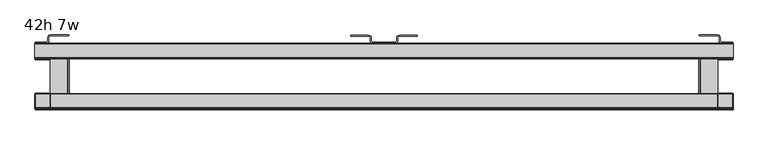
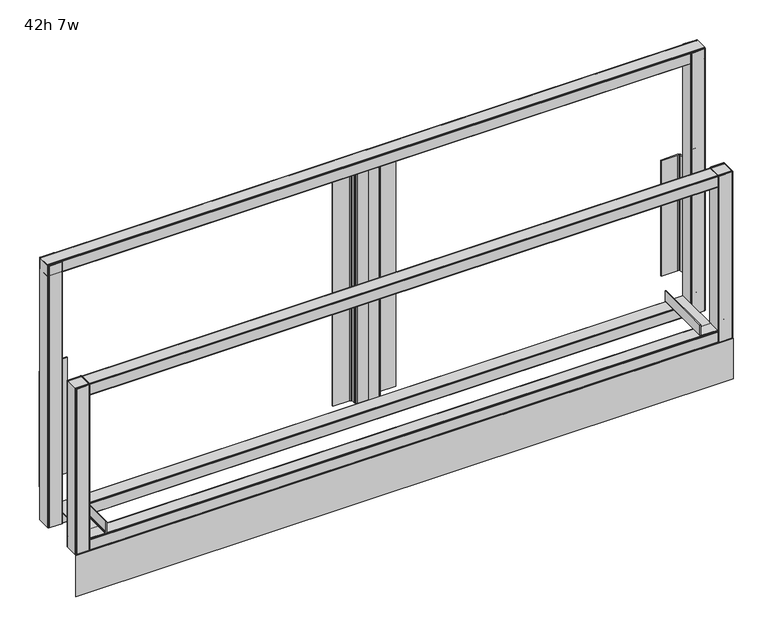
"""IFC4 building model written with IfcOpenShell, lengths in millimetres: furniture geometry, 42h 7w."""

from ifc_helpers import new_model, si_unit, point, frame, frame_2d, origin, origin_with_axes, place, context, project, spatial, polyline, circle_curve, trimmed, segment, composite_curve, outline, extrude, source, transform, mapped, element, save


def furniture_42h_7w_88375a1a(model_context):
    return source(origin(), model_context, "Body", "SweptSolid", [
        extrude(outline(polyline([(2133.6, -72.6720021), (2133.1727983, -74.266339), (2132.0106677, -75.4284729), (2130.4231678, -75.8538429), (2089.2114287, -75.8538429), (2087.7629536, -75.1604032), (2086.7936768, -73.8532746), (2086.5684817, -72.6788414), (2086.5684817, -27.3581037), (2087.7629536, -25.7472803), (2089.211424, -25.0538405), (2091.3408108, -25.0538405), (2130.4231679, -25.0538405), (2132.0106677, -25.4792098), (2133.1727983, -26.6413404), (2133.6, -28.2356788), (2133.6, -72.6720021)]), holes=[composite_curve([segment(polyline([(2131.6931676, -72.7306361), (2131.6931676, -28.1651169)]), True, "CONTINUOUS"), segment(trimmed(circle_curve(frame_2d((2130.4868913, -28.1651169)), 1.2062764), [point((2131.6931676, -28.1651169))], [point((2130.4868913, -26.9588405))], True, "CARTESIAN"), True, "CONTINUOUS"), segment(polyline([(2130.4868913, -26.9588405), (2089.7283089, -26.9588405)]), True, "CONTINUOUS"), segment(trimmed(circle_curve(frame_2d((2089.7283089, -28.2136695)), 1.254829), [point((2089.7283089, -26.9588405))], [point((2088.4734799, -28.2136695))], True, "CARTESIAN"), True, "CONTINUOUS"), segment(polyline([(2088.4734799, -28.2136695), (2088.4734799, -72.8953777)]), True, "CONTINUOUS"), segment(trimmed(circle_curve(frame_2d((2089.5269416, -72.8953777)), 1.0534616), [point((2088.4734799, -72.8953777))], [point((2089.5269416, -73.9488393))], True, "CARTESIAN"), True, "CONTINUOUS"), segment(polyline([(2089.5269416, -73.9488393), (2130.4749644, -73.9488393)]), True, "CONTINUOUS"), segment(trimmed(circle_curve(frame_2d((2130.4749644, -72.7306361)), 1.2182032), [point((2130.4749644, -73.9488393))], [point((2131.6931676, -72.7306361))], True, "CARTESIAN"), True, "CONTINUOUS")], self_intersect=False)]), frame((0.0, 0.0, 142.2400006), z_axis=(0.0, 0.0, 1.0), x_axis=(1.0, 0.0, 0.0)), (0.0, 0.0, 1.0), 897.9650676),
        extrude(outline(polyline([(0.0, -72.6720025), (0.0, -28.2356792), (0.4272017, -26.6413409), (1.5893323, -25.4792102), (3.1768321, -25.0538409), (42.2591892, -25.0538401), (44.3885759, -25.0538401), (45.8370464, -25.7472799), (47.0315183, -27.3581033), (47.0315183, -72.678841), (46.8063232, -73.8532742), (45.8370464, -75.1604028), (44.3885713, -75.8538425), (3.1768322, -75.8538425), (1.5893323, -75.4284733), (0.4272017, -74.2663394), (0.0, -72.6720025)]), holes=[composite_curve([segment(trimmed(circle_curve(frame_2d((3.1250356, -72.7306366)), 1.2182032), [point((1.9068324, -72.7306366))], [point((3.1250356, -73.9488397))], True, "CARTESIAN"), True, "CONTINUOUS"), segment(polyline([(3.1250356, -73.9488397), (44.0730584, -73.9488397)]), True, "CONTINUOUS"), segment(trimmed(circle_curve(frame_2d((44.0730584, -72.8953781)), 1.0534617), [point((44.0730584, -73.9488397))], [point((45.1265201, -72.8953781))], True, "CARTESIAN"), True, "CONTINUOUS"), segment(polyline([(45.1265201, -72.8953781), (45.1265201, -28.2136691)]), True, "CONTINUOUS"), segment(trimmed(circle_curve(frame_2d((43.8716911, -28.2136691)), 1.2548289), [point((45.1265201, -28.2136691))], [point((43.8716911, -26.9588402))], True, "CARTESIAN"), True, "CONTINUOUS"), segment(polyline([(43.8716911, -26.9588402), (3.1131087, -26.9588408)]), True, "CONTINUOUS"), segment(trimmed(circle_curve(frame_2d((3.1131088, -28.1651172)), 1.2062764), [point((3.1131087, -26.9588408))], [point((1.9068324, -28.1651172))], True, "CARTESIAN"), True, "CONTINUOUS"), segment(polyline([(1.9068324, -28.1651172), (1.9068324, -72.7306366)]), True, "CONTINUOUS")], self_intersect=False)]), frame((0.0, 0.0, 142.2400006), z_axis=(0.0, 0.0, 1.0), x_axis=(1.0, 0.0, 0.0)), (0.0, 0.0, 1.0), 897.9650676),
        extrude(outline(polyline([(1032.5208445, -23.01875), (1066.8, -23.01875), (1066.8, -26.0161562), (1032.369944, -26.0161562), (1028.2778403, -24.9196801), (1026.0539889, -22.6958267), (1025.2399988, -19.6579869), (1025.2399988, -7.8317466), (1024.833006, -6.3128259), (1023.7210781, -5.2009002), (1019.3916973, -4.0408449), (964.7778418, -4.0408449), (964.7778418, -0.9623159), (1019.2398534, -0.9623159), (1025.2399988, -2.5700538), (1027.4638547, -4.7939074), (1028.2778403, -7.8317466), (1028.2778403, -19.6579869), (1028.6848331, -21.1769068), (1029.796761, -22.2888334), (1032.5208445, -23.01875)])), frame((0.0, 0.0, 178.4492695), z_axis=(0.0, 0.0, 1.0), x_axis=(1.0, 0.0, 0.0)), (0.0, 0.0, 1.0), 823.9758089),
        extrude(outline(polyline([(1101.0791555, -23.01875), (1103.803239, -22.2888334), (1104.9151669, -21.1769068), (1105.3221597, -19.6579869), (1105.3221597, -7.8317466), (1106.1361453, -4.7939074), (1108.3600012, -2.5700538), (1114.3601466, -0.9623159), (1168.8221582, -0.9623159), (1168.8221582, -4.0408449), (1114.2083027, -4.0408449), (1109.8789219, -5.2009002), (1108.766994, -6.3128259), (1108.3600012, -7.8317466), (1108.3600012, -19.6579869), (1107.5460111, -22.6958267), (1105.3221597, -24.9196801), (1101.230056, -26.0161562), (1066.8, -26.0161562), (1066.8, -23.01875), (1101.0791555, -23.01875)])), frame((0.0, 0.0, 176.0315177), z_axis=(0.0, 0.0, 1.0), x_axis=(1.0, 0.0, 0.0)), (0.0, 0.0, 1.0), 826.3935607),
        extrude(outline(polyline([(35.3068785, -22.0564341), (38.030962, -21.3265174), (39.14289, -20.2145909), (39.5498827, -18.695671), (39.5498827, -6.8694307), (40.3638683, -3.8315915), (42.5877242, -1.6077378), (48.5878696, 0.0), (103.0498812, 0.0), (103.0498812, -3.078529), (48.4360257, -3.078529), (44.1066449, -4.2385842), (42.994717, -5.3505099), (42.5877242, -6.8694307), (42.5877242, -18.695671), (41.7737341, -21.7335108), (39.5498827, -23.9573641), (35.457779, -25.0538403), (1.027723, -25.0538403), (1.027723, -22.0564341), (35.3068785, -22.0564341)])), frame((0.0, 0.0, 251.0568051), z_axis=(0.0, 0.0, 1.0), x_axis=(1.0, 0.0, 0.0)), (0.0, 0.0, 1.0), 397.1052306),
        extrude(outline(polyline([(2098.2931215, -22.0564341), (2132.572277, -22.0564341), (2132.572277, -25.0538403), (2098.142221, -25.0538403), (2094.0501173, -23.9573641), (2091.8262659, -21.7335108), (2091.0122758, -18.695671), (2091.0122758, -6.8694307), (2090.605283, -5.3505099), (2089.4933551, -4.2385842), (2085.1639743, -3.078529), (2030.5501188, -3.078529), (2030.5501188, 0.0), (2085.0121304, 0.0), (2091.0122758, -1.6077378), (2093.2361317, -3.8315915), (2094.0501173, -6.8694307), (2094.0501173, -18.695671), (2094.45711, -20.2145909), (2095.569038, -21.3265174), (2098.2931215, -22.0564341)])), frame((0.0, 0.0, 251.0568051), z_axis=(0.0, 0.0, 1.0), x_axis=(1.0, 0.0, 0.0)), (0.0, 0.0, 1.0), 397.1052306),
        extrude(outline(polyline([(2133.6, -72.6720021), (2133.1727983, -74.266339), (2132.0106677, -75.4284729), (2130.4231678, -75.8538429), (2089.2114287, -75.8538429), (2087.7629536, -75.1604032), (2086.7936768, -73.8532746), (2086.5684817, -72.6788414), (2086.5684817, -27.3581037), (2087.7629536, -25.7472803), (2089.211424, -25.0538405), (2091.3408108, -25.0538405), (2130.4231679, -25.0538405), (2132.0106677, -25.4792098), (2133.1727983, -26.6413404), (2133.6, -28.2356788), (2133.6, -72.6720021)]), holes=[composite_curve([segment(polyline([(2131.6931676, -72.7306361), (2131.6931676, -28.1651169)]), True, "CONTINUOUS"), segment(trimmed(circle_curve(frame_2d((2130.4868913, -28.1651169)), 1.2062764), [point((2131.6931676, -28.1651169))], [point((2130.4868913, -26.9588405))], True, "CARTESIAN"), True, "CONTINUOUS"), segment(polyline([(2130.4868913, -26.9588405), (2089.7283089, -26.9588405)]), True, "CONTINUOUS"), segment(trimmed(circle_curve(frame_2d((2089.7283089, -28.2136695)), 1.254829), [point((2089.7283089, -26.9588405))], [point((2088.4734799, -28.2136695))], True, "CARTESIAN"), True, "CONTINUOUS"), segment(polyline([(2088.4734799, -28.2136695), (2088.4734799, -72.8953777)]), True, "CONTINUOUS"), segment(trimmed(circle_curve(frame_2d((2089.5269416, -72.8953777)), 1.0534616), [point((2088.4734799, -72.8953777))], [point((2089.5269416, -73.9488393))], True, "CARTESIAN"), True, "CONTINUOUS"), segment(polyline([(2089.5269416, -73.9488393), (2130.4749644, -73.9488393)]), True, "CONTINUOUS"), segment(trimmed(circle_curve(frame_2d((2130.4749644, -72.7306361)), 1.2182032), [point((2130.4749644, -73.9488393))], [point((2131.6931676, -72.7306361))], True, "CARTESIAN"), True, "CONTINUOUS")], self_intersect=False)]), frame((0.0, 0.0, 142.2400006), z_axis=(0.0, 0.0, 1.0), x_axis=(1.0, 0.0, 0.0)), (0.0, 0.0, 1.0), 568.9599752),
        extrude(outline(polyline([(-69.6866351, 1001.9409842), (-71.4932977, 1002.4250785), (-72.6554315, 1003.587209), (-72.8823632, 1004.4341299), (-72.8823632, 1038.7565932), (-72.1889235, 1040.2050682), (-70.8817949, 1041.174345), (-69.7049635, 1041.4), (-28.5017272, 1041.4), (-26.8902842, 1040.2050682), (-26.1968444, 1038.7565977), (-26.1968444, 1036.627211), (-26.1968444, 1005.9152882), (-26.8206514, 1003.587209), (-27.982782, 1002.4250784), (-29.7894465, 1001.9409842), (-69.6866351, 1001.9409842)]), holes=[composite_curve([segment(polyline([(-70.332356, 1003.5801491), (-29.2089019, 1003.5801491)]), True, "CONTINUOUS"), segment(trimmed(circle_curve(frame_2d((-29.2089019, 1004.7864254)), 1.2062764), [point((-29.2089019, 1003.5801491))], [point((-28.0026255, 1004.7864254))], True, "CARTESIAN"), True, "CONTINUOUS"), segment(polyline([(-28.0026255, 1004.7864254), (-28.0026255, 1038.1404943)]), True, "CONTINUOUS"), segment(trimmed(circle_curve(frame_2d((-29.2574544, 1038.1404943)), 1.2548289), [point((-28.0026255, 1038.1404943))], [point((-29.2574544, 1039.3953232))], True, "CARTESIAN"), True, "CONTINUOUS"), segment(polyline([(-29.2574544, 1039.3953232), (-70.2691988, 1039.3953232)]), True, "CONTINUOUS"), segment(trimmed(circle_curve(frame_2d((-70.2691988, 1038.5383334)), 0.8569898), [point((-70.2691988, 1039.3953232))], [point((-71.1261886, 1038.5383334))], True, "CARTESIAN"), True, "CONTINUOUS"), segment(polyline([(-71.1261886, 1038.5383334), (-71.1261886, 1037.4730464), (-71.1261886, 1004.3739817)]), True, "CONTINUOUS"), segment(trimmed(circle_curve(frame_2d((-70.332356, 1004.3739817)), 0.7938326), [point((-71.1261886, 1004.3739817))], [point((-70.332356, 1003.5801491))], True, "CARTESIAN"), True, "CONTINUOUS")], self_intersect=False)]), frame((0.0, 0.0, 0.0), z_axis=(1.0, 0.0, 0.0), x_axis=(0.0, 1.0, 0.0)), (0.0, 0.0, 1.0), 2133.6),
        extrude(outline(polyline([(217.1649967, 2029.1758798), (183.3880068, 2029.1758798), (180.2764961, 2030.0096043), (177.9987282, 2032.2873722), (177.1650036, 2035.3988647), (177.1650036, 2086.5782739), (180.2130007, 2086.5782739), (180.2130007, 2035.3988647), (180.6383745, 2033.8113708), (181.8004947, 2032.6492506), (183.3880068, 2032.2238768), (217.1649967, 2032.2238768), (217.1649967, 2029.1758798)])), frame((0.0, -223.0555224, 0.0), z_axis=(0.0, 1.0, 0.0), x_axis=(0.0, 0.0, 1.0)), (0.0, 0.0, 1.0), 194.5544148),
        extrude(outline(polyline([(217.1649967, 104.4241202), (217.1649967, 101.3761232), (183.3880068, 101.3761232), (181.8004947, 100.9507494), (180.6383745, 99.7886292), (180.2130007, 98.2011353), (180.2130007, 47.0315183), (177.1650036, 47.0315183), (177.1650036, 98.2011353), (177.9987282, 101.3126278), (180.2764961, 103.5903957), (183.3880068, 104.4241202), (217.1649967, 104.4241202)])), frame((0.0, -223.0555224, 0.0), z_axis=(0.0, 1.0, 0.0), x_axis=(0.0, 0.0, 1.0)), (0.0, 0.0, 1.0), 194.5537952),
        extrude(outline(polyline([(2133.6, -229.202005), (0.762, -229.202005), (0.762, -227.1700069), (2133.6, -227.1700069), (2133.6, -229.202005)])), origin_with_axes(), (0.0, 0.0, 1.0), 139.700003),
        extrude(outline(polyline([(2133.6, -226.020165), (2133.1727983, -227.6145019), (2132.0106677, -228.7766357), (2130.4231678, -229.202005), (2089.2114287, -229.202005), (2087.7629536, -228.5085653), (2086.7936768, -227.2014367), (2086.5684817, -226.0270034), (2086.5684817, -180.7062658), (2087.7629536, -179.0954424), (2089.2114242, -178.4020034), (2091.3408108, -178.4020034), (2130.4231679, -178.4020034), (2132.0106677, -178.8273727), (2133.1727983, -179.9895033), (2133.6, -181.5838417), (2133.6, -226.020165)]), holes=[composite_curve([segment(polyline([(2131.6931676, -226.078799), (2131.6931676, -181.5132797)]), True, "CONTINUOUS"), segment(trimmed(circle_curve(frame_2d((2130.4868912, -181.5132797)), 1.2062764), [point((2131.6931676, -181.5132797))], [point((2130.4868912, -180.3070033))], True, "CARTESIAN"), True, "CONTINUOUS"), segment(polyline([(2130.4868912, -180.3070033), (2089.7283089, -180.3070026)]), True, "CONTINUOUS"), segment(trimmed(circle_curve(frame_2d((2089.7283089, -181.5618316)), 1.2548289), [point((2089.7283089, -180.3070026))], [point((2088.47348, -181.5618316))], True, "CARTESIAN"), True, "CONTINUOUS"), segment(polyline([(2088.47348, -181.5618316), (2088.47348, -226.2435406)]), True, "CONTINUOUS"), segment(trimmed(circle_curve(frame_2d((2089.5269416, -226.2435406)), 1.0534615), [point((2088.47348, -226.2435406))], [point((2089.5269416, -227.2970021))], True, "CARTESIAN"), True, "CONTINUOUS"), segment(polyline([(2089.5269416, -227.2970021), (2130.4749644, -227.2970021)]), True, "CONTINUOUS"), segment(trimmed(circle_curve(frame_2d((2130.4749644, -226.078799)), 1.2182032), [point((2130.4749644, -227.2970021))], [point((2131.6931676, -226.078799))], True, "CARTESIAN"), True, "CONTINUOUS")], self_intersect=False)]), frame((0.0, 0.0, 142.2400006), z_axis=(0.0, 0.0, 1.0), x_axis=(1.0, 0.0, 0.0)), (0.0, 0.0, 1.0), 569.0435446),
        extrude(outline(polyline([(0.0, -226.020165), (0.0, -181.5838417), (0.4272017, -179.9895033), (1.5893323, -178.8273727), (3.1768321, -178.4020034), (42.2591892, -178.4020026), (44.3885759, -178.4020026), (45.8370464, -179.0954424), (47.0315183, -180.7062658), (47.0315183, -226.0270034), (46.8063232, -227.2014367), (45.8370464, -228.5085653), (44.3885713, -229.202005), (3.1768322, -229.202005), (1.5893323, -228.7766357), (0.4272017, -227.6145019), (0.0, -226.020165)]), holes=[composite_curve([segment(trimmed(circle_curve(frame_2d((3.1250356, -226.078799)), 1.2182032), [point((1.9068324, -226.078799))], [point((3.1250356, -227.2970022))], True, "CARTESIAN"), True, "CONTINUOUS"), segment(polyline([(3.1250356, -227.2970022), (44.0730584, -227.2970022)]), True, "CONTINUOUS"), segment(trimmed(circle_curve(frame_2d((44.0730584, -226.2435405)), 1.0534617), [point((44.0730584, -227.2970022))], [point((45.1265201, -226.2435405))], True, "CARTESIAN"), True, "CONTINUOUS"), segment(polyline([(45.1265201, -226.2435405), (45.1265201, -181.5618316)]), True, "CONTINUOUS"), segment(trimmed(circle_curve(frame_2d((43.8716912, -181.5618316)), 1.2548289), [point((45.1265201, -181.5618316))], [point((43.8716911, -180.3070027))], True, "CARTESIAN"), True, "CONTINUOUS"), segment(polyline([(43.8716911, -180.3070027), (3.1131088, -180.3070033)]), True, "CONTINUOUS"), segment(trimmed(circle_curve(frame_2d((3.1131088, -181.5132797)), 1.2062764), [point((3.1131088, -180.3070033))], [point((1.9068324, -181.5132797))], True, "CARTESIAN"), True, "CONTINUOUS"), segment(polyline([(1.9068324, -181.5132797), (1.9068324, -226.078799)]), True, "CONTINUOUS")], self_intersect=False)]), frame((0.0, 0.0, 142.2400006), z_axis=(0.0, 0.0, 1.0), x_axis=(1.0, 0.0, 0.0)), (0.0, 0.0, 1.0), 569.0435446),
        extrude(outline(polyline([(-223.0347979, 139.2159088), (-224.8414605, 139.700003), (-226.0035943, 140.8621336), (-226.230526, 141.7090545), (-226.230526, 176.0315177), (-225.5370863, 177.4799928), (-224.2299577, 178.4492695), (-223.0555224, 178.6744651), (-181.8492701, 178.6744693), (-180.2384467, 177.4799928), (-179.5450075, 176.0315223), (-179.5450075, 173.9021356), (-179.5450075, 143.1902128), (-180.1688145, 140.8621336), (-181.3309451, 139.700003), (-183.1376095, 139.2159088), (-223.0347979, 139.2159088)]), holes=[composite_curve([segment(polyline([(-223.6805188, 140.8550736), (-182.557065, 140.8550736)]), True, "CONTINUOUS"), segment(trimmed(circle_curve(frame_2d((-182.557065, 142.06135)), 1.2062764), [point((-182.557065, 140.8550736))], [point((-181.3507886, 142.06135))], True, "CARTESIAN"), True, "CONTINUOUS"), segment(polyline([(-181.3507886, 142.06135), (-181.3507886, 175.4154189)]), True, "CONTINUOUS"), segment(trimmed(circle_curve(frame_2d((-182.6056175, 175.4154189)), 1.2548289), [point((-181.3507886, 175.4154189))], [point((-182.6056175, 176.6702478))], True, "CARTESIAN"), True, "CONTINUOUS"), segment(polyline([(-182.6056175, 176.6702478), (-223.6173616, 176.6702478)]), True, "CONTINUOUS"), segment(trimmed(circle_curve(frame_2d((-223.6173616, 175.813258)), 0.8569898), [point((-223.6173616, 176.6702478))], [point((-224.4743514, 175.813258))], True, "CARTESIAN"), True, "CONTINUOUS"), segment(polyline([(-224.4743514, 175.813258), (-224.4743514, 174.747971), (-224.4743514, 141.6489063)]), True, "CONTINUOUS"), segment(trimmed(circle_curve(frame_2d((-223.6805188, 141.6489063)), 0.7938326), [point((-224.4743514, 141.6489063))], [point((-223.6805188, 140.8550736))], True, "CARTESIAN"), True, "CONTINUOUS")], self_intersect=False)]), frame((1.9068324, 0.0, 0.0), z_axis=(1.0, 0.0, 0.0), x_axis=(0.0, 1.0, 0.0)), (0.0, 0.0, 1.0), 2131.6931676),
        extrude(outline(polyline([(-69.6866351, 139.2159088), (-71.4932977, 139.700003), (-72.6554315, 140.8621336), (-72.8823632, 141.7090545), (-72.8823632, 176.0315177), (-72.1889235, 177.4799928), (-70.8817949, 178.4492695), (-69.7073595, 178.6744651), (-28.5011076, 178.6744693), (-26.8902842, 177.4799928), (-26.1968444, 176.0315223), (-26.1968444, 173.9021356), (-26.1968444, 143.1902128), (-26.8206514, 140.8621336), (-27.982782, 139.700003), (-29.7894465, 139.2159088), (-69.6866351, 139.2159088)]), holes=[composite_curve([segment(polyline([(-70.332356, 140.8550736), (-29.2089019, 140.8550736)]), True, "CONTINUOUS"), segment(trimmed(circle_curve(frame_2d((-29.2089019, 142.06135)), 1.2062764), [point((-29.2089019, 140.8550736))], [point((-28.0026255, 142.06135))], True, "CARTESIAN"), True, "CONTINUOUS"), segment(polyline([(-28.0026255, 142.06135), (-28.0026255, 175.4154189)]), True, "CONTINUOUS"), segment(trimmed(circle_curve(frame_2d((-29.2574544, 175.4154189)), 1.2548289), [point((-28.0026255, 175.4154189))], [point((-29.2574544, 176.6702478))], True, "CARTESIAN"), True, "CONTINUOUS"), segment(polyline([(-29.2574544, 176.6702478), (-70.2691988, 176.6702478)]), True, "CONTINUOUS"), segment(trimmed(circle_curve(frame_2d((-70.2691988, 175.813258)), 0.8569898), [point((-70.2691988, 176.6702478))], [point((-71.1261886, 175.813258))], True, "CARTESIAN"), True, "CONTINUOUS"), segment(polyline([(-71.1261886, 175.813258), (-71.1261886, 174.747971), (-71.1261886, 141.6489063)]), True, "CONTINUOUS"), segment(trimmed(circle_curve(frame_2d((-70.332356, 141.6489063)), 0.7938326), [point((-71.1261886, 141.6489063))], [point((-70.332356, 140.8550736))], True, "CARTESIAN"), True, "CONTINUOUS")], self_intersect=False)]), frame((1.9068324, 0.0, 0.0), z_axis=(1.0, 0.0, 0.0), x_axis=(0.0, 1.0, 0.0)), (0.0, 0.0, 1.0), 2131.6931676),
        extrude(outline(polyline([(-223.0347979, 671.8249791), (-224.8414605, 672.3090734), (-226.0035943, 673.4712039), (-226.230526, 674.3181248), (-226.230526, 708.6405881), (-225.5370863, 710.0890631), (-224.2299577, 711.0583399), (-223.0532062, 711.2839796), (-181.849869, 711.2839796), (-180.2384467, 710.0890631), (-179.5450069, 708.6405927), (-179.5450069, 706.511206), (-179.5450069, 675.7992832), (-180.1688139, 673.4712039), (-181.3309445, 672.3090734), (-183.1376089, 671.8249791), (-223.0347979, 671.8249791)]), holes=[composite_curve([segment(polyline([(-223.6805188, 673.464144), (-182.5570644, 673.464144)]), True, "CONTINUOUS"), segment(trimmed(circle_curve(frame_2d((-182.5570644, 674.6704204)), 1.2062764), [point((-182.5570644, 673.464144))], [point((-181.350788, 674.6704204))], True, "CARTESIAN"), True, "CONTINUOUS"), segment(polyline([(-181.350788, 674.6704204), (-181.350788, 708.0244893)]), True, "CONTINUOUS"), segment(trimmed(circle_curve(frame_2d((-182.6056169, 708.0244893)), 1.2548289), [point((-181.350788, 708.0244893))], [point((-182.6056169, 709.2793182))], True, "CARTESIAN"), True, "CONTINUOUS"), segment(polyline([(-182.6056169, 709.2793182), (-223.6173616, 709.2793182)]), True, "CONTINUOUS"), segment(trimmed(circle_curve(frame_2d((-223.6173616, 708.4223284)), 0.8569898), [point((-223.6173616, 709.2793182))], [point((-224.4743514, 708.4223284))], True, "CARTESIAN"), True, "CONTINUOUS"), segment(polyline([(-224.4743514, 708.4223284), (-224.4743514, 707.3570413), (-224.4743514, 674.2579766)]), True, "CONTINUOUS"), segment(trimmed(circle_curve(frame_2d((-223.6805188, 674.2579766)), 0.7938326), [point((-224.4743514, 674.2579766))], [point((-223.6805188, 673.464144))], True, "CARTESIAN"), True, "CONTINUOUS")], self_intersect=False)]), frame((1.9068324, 0.0, 0.0), z_axis=(1.0, 0.0, 0.0), x_axis=(0.0, 1.0, 0.0)), (0.0, 0.0, 1.0), 2131.6931676),
    ])


if __name__ == "__main__":
    model = new_model("IFC4")
    model_context = context("Model", 3, world=origin())
    ifc_project = project(units=[si_unit("LENGTHUNIT", "METRE", prefix="MILLI")], contexts=[model_context])
    site = spatial("IfcSite", under=ifc_project)
    building = spatial("IfcBuilding", under=site)
    placement = place(None, origin())
    furniture_42h_7w_shape = furniture_42h_7w_88375a1a(model_context)
    element("IfcFurniture", 1, ObjectType="42h 7w", at=placement, inside=building, context=model_context, shape_type="MappedRepresentation", body=[
        mapped(furniture_42h_7w_shape, transform((0.0, 0.0, 0.0), x_axis=(1.0, 0.0, 0.0), y_axis=(0.0, 1.0, 0.0), z_axis=(0.0, 0.0, 1.0))),
    ])
    save(model, "model.ifc")
